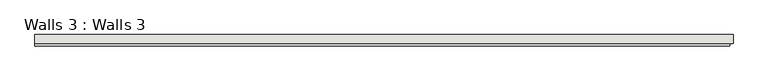
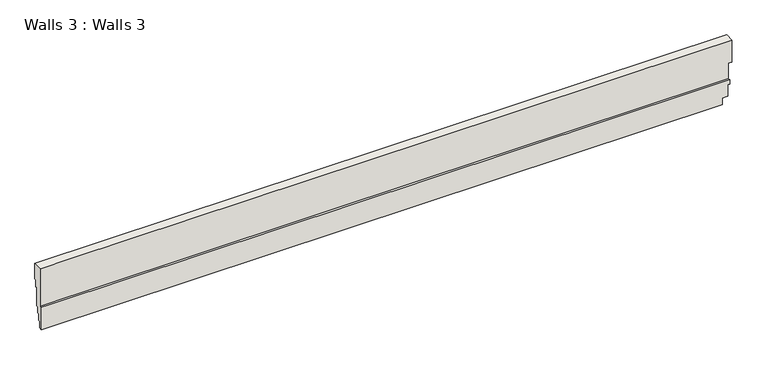
"""IFC4 building model written with IfcOpenShell, lengths in millimetres: wall geometry, Walls 3 : Walls 3."""

from ifc_helpers import new_model, si_unit, origin, place, context, project, spatial, faceted_brep, source, transform, mapped, element, save


def walls_3_walls_3_4522e01d(model_context):
    return source(origin(), model_context, "Body", "Brep", [
        faceted_brep([(-12602.1969605, 39279.1245636, -2057.4), (-12602.1969605, 39304.5245636, -2057.4), (-12602.1969605, 39304.5245636, -1616.9423186), (-12602.1969605, 39404.6524695, -1616.9423186), (-12602.1969605, 39404.6524695, -1794.7423186), (-12602.1969605, 39385.6024695, -1794.7423186), (-12602.1969605, 39385.6024695, -1877.2923186), (-12602.1969605, 39369.7274695, -1877.2923186), (-12602.1969605, 39369.7274695, -2093.1923186), (-12602.1969605, 39353.8524695, -2093.1923186), (-12602.1969605, 39353.8524695, -2163.0423186), (-12602.1969605, 39334.8024695, -2163.0423186), (-12602.1969605, 39334.8024695, -2242.4173186), (-12602.1969605, 39314.0495636, -2242.4173186), (-12602.1969605, 39314.0495636, -2318.6173186), (-12602.1969605, 39279.1245636, -2318.6173186), (-4910.7148494, 39385.6024695, -1877.2923186), (-4910.7148494, 39385.6024695, -1794.7423186), (-4910.7148494, 39404.6524695, -1794.7423186), (-4910.7148494, 39404.6524695, -1616.9423186), (-4910.7148494, 39304.5245636, -1616.9423186), (-4910.7148494, 39304.5245636, -1877.2923186), (-12498.7181354, 39279.1245636, -2057.4), (-8284.1969605, 39279.1245636, -2057.4), (-5299.6969605, 39279.1245636, -2057.4), (-5029.8219605, 39279.1245636, -2057.4), (-4948.8148494, 39279.1245636, -2057.4), (-4948.8148494, 39304.5245636, -2057.4), (-5299.6969605, 39304.5245636, -2057.4), (-8284.1969605, 39304.5245636, -2057.4), (-12271.9969605, 39304.5245636, -2057.4), (-4948.8148494, 39304.5245636, -1877.2923186), (-5299.6969605, 39304.5245636, -1616.9423186), (-8284.1969605, 39304.5245636, -1616.9423186), (-12271.9969605, 39304.5245636, -1616.9423186), (-4948.8148494, 39369.7274695, -1877.2923186), (-4948.8148494, 39369.7274695, -2093.1923186), (-4948.8148494, 39353.8524695, -2093.1923186), (-4948.8148494, 39353.8524695, -2108.2), (-4969.4969605, 39353.8524695, -2108.2), (-4969.4969605, 39353.8524695, -2163.0423186), (-4969.4969605, 39334.8024695, -2163.0423186), (-4969.4969605, 39334.8024695, -2242.4173186), (-4969.4969605, 39279.1245636, -2242.4173186), (-5029.8219605, 39279.1245636, -2242.4173186), (-5029.8219605, 39314.0495636, -2242.4173186), (-5029.8219605, 39314.0495636, -2318.6173186), (-5029.8219605, 39279.1245636, -2318.6173186), (-4969.4969605, 39279.1245636, -2108.2), (-4948.8148494, 39279.1245636, -2108.2)], [[[0, 1, 2, 3, 4, 5, 6, 7, 8, 9, 10, 11, 12, 13, 14, 15]], [[16, 17, 18, 19, 20, 21]], [[1, 0, 22, 23, 24, 25, 26, 27, 28, 29, 30]], [[2, 1, 30, 29, 28, 27, 31, 21, 20, 32, 33, 34]], [[3, 2, 34, 33, 32, 20, 19]], [[4, 3, 19, 18]], [[5, 4, 18, 17]], [[6, 5, 17, 16]], [[7, 6, 16, 21, 31, 35]], [[8, 7, 35, 36]], [[9, 8, 36, 37]], [[10, 9, 37, 38, 39, 40]], [[11, 10, 40, 41]], [[12, 11, 41, 42]], [[13, 12, 42, 43, 44, 45]], [[14, 13, 45, 46]], [[15, 14, 46, 47]], [[0, 15, 47, 44, 43, 48, 49, 26, 25, 24, 23, 22]], [[45, 44, 47, 46]], [[40, 39, 48, 43, 42, 41]], [[39, 38, 49, 48]], [[27, 26, 49, 38, 37, 36, 35, 31]]]),
    ])


if __name__ == "__main__":
    model = new_model("IFC4")
    model_context = context("Model", 3, world=origin())
    ifc_project = project(units=[si_unit("LENGTHUNIT", "METRE", prefix="MILLI")], contexts=[model_context])
    site = spatial("IfcSite", under=ifc_project)
    building = spatial("IfcBuilding", under=site)
    placement = place(None, origin())
    walls_3_walls_3_shape = walls_3_walls_3_4522e01d(model_context)
    element("IfcWall", 1, ObjectType="Walls 3 : Walls 3", at=placement, inside=building, context=model_context, shape_type="MappedRepresentation", body=[
        mapped(walls_3_walls_3_shape, transform((0.0, 0.0, 0.0), x_axis=(1.0, 0.0, 0.0), y_axis=(0.0, 1.0, 0.0), z_axis=(0.0, 0.0, 1.0))),
    ])
    save(model, "model.ifc")
